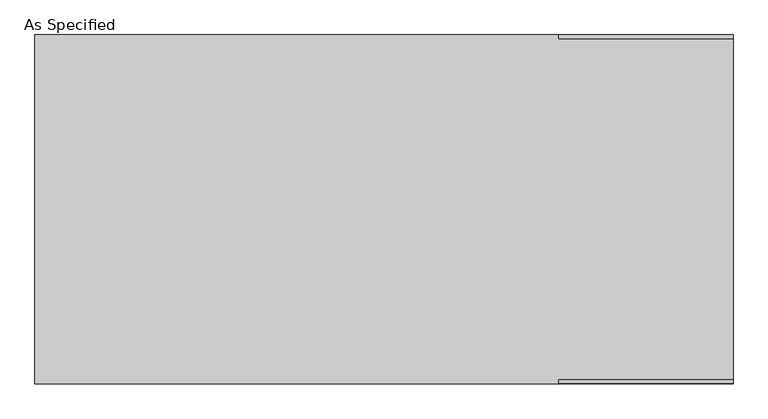
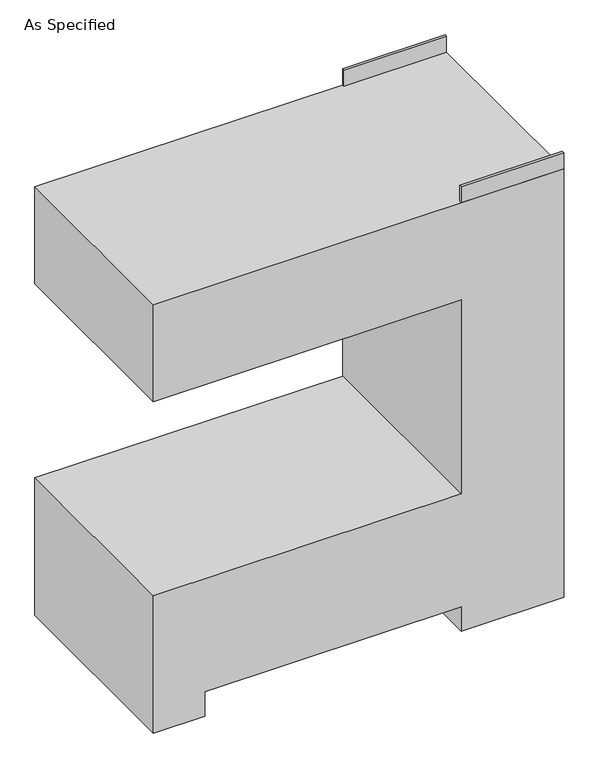
"""IFC4 building model written with IfcOpenShell, lengths in millimetres: proxy geometry, As Specified."""

from ifc_helpers import new_model, si_unit, frame, origin, place, context, project, spatial, polyline, outline, extrude, source, transform, mapped, element, save


def as_specified_823289e1(model_context):
    return source(origin(), model_context, "Body", "SweptSolid", [
        extrude(outline(polyline([(304.8, 298.45), (304.8, 304.8), (609.6, 304.8), (609.6, 298.45), (304.8, 298.45)])), frame((0.0, 0.0, 1346.2), z_axis=(0.0, 0.0, 1.0), x_axis=(1.0, 0.0, 0.0)), (0.0, 0.0, 1.0), 50.8),
        extrude(outline(polyline([(304.8, -304.8), (304.8, -298.45), (609.6, -298.45), (609.6, -304.8), (304.8, -304.8)])), frame((0.0, 0.0, 1346.2), z_axis=(0.0, 0.0, 1.0), x_axis=(1.0, 0.0, 0.0)), (0.0, 0.0, 1.0), 50.8),
        extrude(outline(polyline([(1346.2, 609.6), (1346.2, -609.6), (1041.4, -609.6), (1041.4, 304.8), (431.8, 304.8), (431.8, -609.6), (0.0, -609.6), (0.0, -457.2), (76.2, -457.2), (76.2, 304.8), (0.0, 304.8), (0.0, 609.6), (1346.2, 609.6)])), frame((0.0, -304.8, 0.0), z_axis=(0.0, 1.0, 0.0), x_axis=(0.0, 0.0, 1.0)), (0.0, 0.0, 1.0), 609.6),
    ])


if __name__ == "__main__":
    model = new_model("IFC4")
    model_context = context("Model", 3, world=origin())
    ifc_project = project(units=[si_unit("LENGTHUNIT", "METRE", prefix="MILLI")], contexts=[model_context])
    site = spatial("IfcSite", under=ifc_project)
    building = spatial("IfcBuilding", under=site)
    placement = place(None, origin())
    as_specified_shape = as_specified_823289e1(model_context)
    element("IfcBuildingElementProxy", 1, Name="As Specified", ObjectType="As Specified", at=placement, inside=building, context=model_context, shape_type="MappedRepresentation", body=[
        mapped(as_specified_shape, transform((0.0, 0.0, 0.0), x_axis=(1.0, 0.0, 0.0), y_axis=(0.0, 1.0, 0.0), z_axis=(0.0, 0.0, 1.0))),
    ])
    save(model, "model.ifc")
